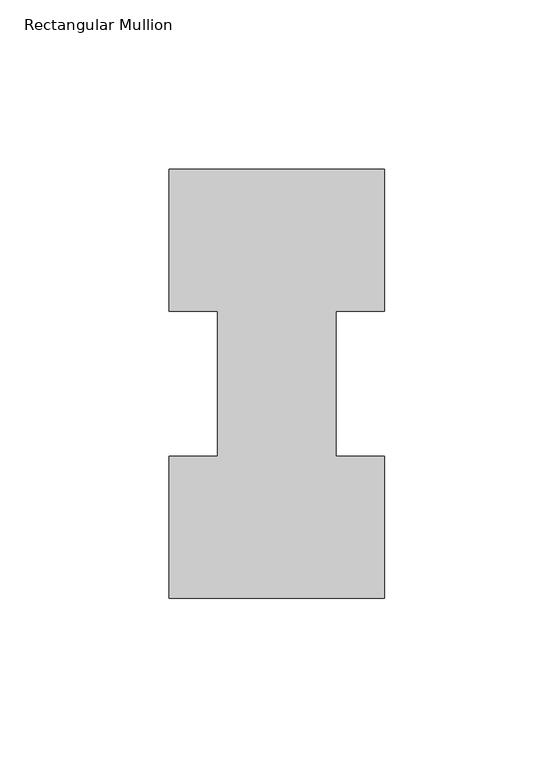
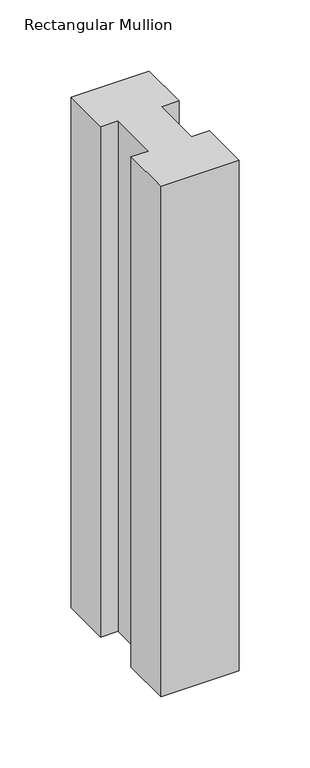
"""IFC4 building model written with IfcOpenShell, lengths in millimetres: member geometry, Rectangular Mullion."""

import ifcopenshell
import ifcopenshell.guid

model = None  # the IFC model being written
_history = None  # IfcOwnerHistory: only IFC2X3 demands one
_inside = {}  # id of a spatial element -> (the spatial element, [elements in it])
_under = {}  # id of a project, library or spatial element -> (it, [spatial elements below it])
_declared = {}  # id of a project -> (the project, [libraries it declares])
_typed = {}  # id of a type object -> (the type object, [elements of that type])
_made_of = {}  # id of a material, layer set ... -> (it, [elements and type objects made of it])


def new_model(schema):
    """Start an empty IFC model of exactly this schema.

    Asked for "IFC4X3", IfcOpenShell would pick the latest addendum, in which some entities
    have other attributes; the version numbers below select the first issue.
    IFC2X3 requires an IfcOwnerHistory on every rooted entity: one is made here for all.
    """
    global model, _history
    if schema == "IFC4X3":
        model = ifcopenshell.file(schema_version=(4, 3, 0, 0))
    else:
        model = ifcopenshell.file(schema=schema)
    _inside.clear()
    _under.clear()
    _declared.clear()
    _typed.clear()
    _made_of.clear()
    _history = None
    if model.schema == "IFC2X3":
        org = make("IfcOrganization", Name="unknown")
        user = make(
            "IfcPersonAndOrganization",
            ThePerson=make("IfcPerson", FamilyName="unknown"),
            TheOrganization=org,
        )
        app = make(
            "IfcApplication",
            ApplicationDeveloper=org,
            Version="unknown",
            ApplicationFullName="unknown",
            ApplicationIdentifier="unknown",
        )
        _history = make(
            "IfcOwnerHistory",
            OwningUser=user,
            OwningApplication=app,
            ChangeAction="ADDED",
            CreationDate=0,
        )
    return model


def make(cls, **values):
    """One entity of the class cls with the attributes given. An attribute that is None is left unset."""
    return model.create_entity(
        cls, **{name: value for name, value in values.items() if value is not None}
    )


def rooted(cls, **values):
    """An entity with a GlobalId (a new one), such as an element, a storey or a relation."""
    return make(cls, GlobalId=ifcopenshell.guid.new(), OwnerHistory=_history, **values)


def si_unit(unit_type, name, prefix=None):
    """IfcSIUnit, for example si_unit("LENGTHUNIT", "METRE", prefix="MILLI")."""
    return make("IfcSIUnit", UnitType=unit_type, Prefix=prefix, Name=name)


def assignment(units):
    """IfcUnitAssignment: the units of a project."""
    return None if units is None else make("IfcUnitAssignment", Units=units)


def point(xyz):
    """IfcCartesianPoint."""
    return None if xyz is None else make("IfcCartesianPoint", Coordinates=xyz)


def direction(xyz):
    """IfcDirection."""
    return None if xyz is None else make("IfcDirection", DirectionRatios=xyz)


def frame(location, z_axis=None, x_axis=None):
    """IfcAxis2Placement3D, a coordinate frame: its origin and axes. An axis left out is left unset."""
    return make(
        "IfcAxis2Placement3D",
        Location=point(location),
        Axis=direction(z_axis),
        RefDirection=direction(x_axis),
    )


def origin():
    """The frame at (0, 0, 0) with its axes left unset."""
    return frame((0.0, 0.0, 0.0))


def place(relative_to, where):
    """IfcLocalPlacement: puts the frame where relative to a parent placement (None: the world)."""
    return make(
        "IfcLocalPlacement", PlacementRelTo=relative_to, RelativePlacement=where
    )


def context(
    kind, dimensions, precision=None, world=None, true_north=None, identifier=None
):
    """IfcGeometricRepresentationContext, for example the 3D "Model" context."""
    return make(
        "IfcGeometricRepresentationContext",
        ContextIdentifier=identifier,
        ContextType=kind,
        CoordinateSpaceDimension=dimensions,
        Precision=precision,
        WorldCoordinateSystem=world,
        TrueNorth=true_north,
    )


def project(units=None, contexts=None):
    """IfcProject with its units and contexts."""
    return rooted(
        "IfcProject",
        Name="project",
        RepresentationContexts=contexts,
        UnitsInContext=assignment(units),
    )


def spatial(cls, under=None, at=None, **own):
    """A site, building, storey or space (cls), placed at a placement, below another one or the project."""
    s = rooted(cls, ObjectPlacement=at, **own)
    if under is not None:
        _under.setdefault(under.id(), (under, []))[1].append(s)
    return s


def polyline(points):
    """IfcPolyline through the points."""
    return make("IfcPolyline", Points=[point(p) for p in points])


def outline(outer, holes=None, kind="AREA"):
    """IfcArbitraryClosedProfileDef: a profile drawn as a closed curve; with holes, ...WithVoids."""
    if holes is None:
        return make("IfcArbitraryClosedProfileDef", ProfileType=kind, OuterCurve=outer)
    return make(
        "IfcArbitraryProfileDefWithVoids",
        ProfileType=kind,
        OuterCurve=outer,
        InnerCurves=holes,
    )


def extrude(swept, where, along, depth):
    """IfcExtrudedAreaSolid: the profile swept, set in the frame where, extruded along a direction by depth."""
    return make(
        "IfcExtrudedAreaSolid",
        SweptArea=swept,
        Position=where,
        ExtrudedDirection=direction(along),
        Depth=depth,
    )


def shape(context_of_items, identifier, shape_type, items):
    """IfcShapeRepresentation: the items that make up one representation, for example the "Body"."""
    return make(
        "IfcShapeRepresentation",
        ContextOfItems=context_of_items,
        RepresentationIdentifier=identifier,
        RepresentationType=shape_type,
        Items=items,
    )


def source(mapping_origin, context_of_items, identifier, shape_type, items):
    """IfcRepresentationMap: a shape defined once, which mapped items show again and again."""
    return make(
        "IfcRepresentationMap",
        MappingOrigin=mapping_origin,
        MappedRepresentation=shape(context_of_items, identifier, shape_type, items),
    )


def transform(
    local_origin,
    x_axis=None,
    y_axis=None,
    z_axis=None,
    scale=None,
    scale2=None,
    scale3=None,
    uniform=True,
):
    """IfcCartesianTransformationOperator3D, or its non-uniform kind. x_axis, y_axis, z_axis: its Axis1, 2, 3."""
    if uniform:
        return make(
            "IfcCartesianTransformationOperator3D",
            Axis1=direction(x_axis),
            Axis2=direction(y_axis),
            LocalOrigin=point(local_origin),
            Scale=scale,
            Axis3=direction(z_axis),
        )
    return make(
        "IfcCartesianTransformationOperator3DnonUniform",
        Axis1=direction(x_axis),
        Axis2=direction(y_axis),
        LocalOrigin=point(local_origin),
        Scale=scale,
        Axis3=direction(z_axis),
        Scale2=scale2,
        Scale3=scale3,
    )


def mapped(mapping_source, mapping_target):
    """IfcMappedItem: shows the shape of a source again, moved by a transform."""
    return make(
        "IfcMappedItem", MappingSource=mapping_source, MappingTarget=mapping_target
    )


def made_of(thing, what):
    """Note that an element or type object is made of a material, layer set ...; save() writes the relation."""
    if what is not None:
        _made_of.setdefault(what.id(), (what, []))[1].append(thing)
    return thing


def element(
    cls,
    number,
    at=None,
    inside=None,
    cuts=None,
    type_object=None,
    material=None,
    context=None,
    identifier="Body",
    shape_type=None,
    held_by="IfcProductDefinitionShape",
    body=None,
    shapes=None,
    **own,
):
    """One element of the class cls, such as IfcWall. Its Tag is "e" and its number.

    at: its placement. inside: the storey or other place that contains it. cuts: it is an
    opening in that element (IfcRelVoidsElement). A single representation is given by context,
    identifier, shape_type and body (its items); several are given by shapes. held_by: the class
    of the entity that holds the representations. save() writes the other relations.
    """
    e = rooted(cls, Tag="e%d" % number, ObjectPlacement=at, **own)
    if body is not None:
        shapes = [shape(context, identifier, shape_type, body)]
    if shapes is not None:
        e.Representation = make(held_by, Representations=shapes)
    if inside is not None:
        _inside.setdefault(inside.id(), (inside, []))[1].append(e)
    if cuts is not None:
        rooted(
            "IfcRelVoidsElement", RelatingBuildingElement=cuts, RelatedOpeningElement=e
        )
    if type_object is not None:
        _typed.setdefault(type_object.id(), (type_object, []))[1].append(e)
    return made_of(e, material)


def aggregate(whole, parts):
    """IfcRelAggregates: a whole, such as a stair, and the parts it consists of."""
    return rooted("IfcRelAggregates", RelatingObject=whole, RelatedObjects=parts)


def save(model, path):
    """Write the relations noted so far, then the file.

    IfcRelAggregates (storeys below a building ...), IfcRelContainedInSpatialStructure (elements
    in a storey), IfcRelDefinesByType, IfcRelAssociatesMaterial and IfcRelDeclares: one each for
    every whole, place, type object, material and project.
    """
    for whole, parts in _under.values():
        aggregate(whole, parts)
    for where, things in _inside.values():
        rooted(
            "IfcRelContainedInSpatialStructure",
            RelatedElements=things,
            RelatingStructure=where,
        )
    for kind, things in _typed.values():
        rooted("IfcRelDefinesByType", RelatedObjects=things, RelatingType=kind)
    for what, things in _made_of.values():
        rooted("IfcRelAssociatesMaterial", RelatedObjects=things, RelatingMaterial=what)
    for by, libraries in _declared.values():
        rooted("IfcRelDeclares", RelatingContext=by, RelatedDefinitions=libraries)
    model.write(path)


def rectangular_mullion_6ce761bf(model_context):
    return source(origin(), model_context, "Body", "SweptSolid", [
        extrude(outline(polyline([(-63.5, 0.2967757), (-63.5, 42.1178757), (-49.2125, 42.1178757), (-49.2125, 84.93125), (-63.5, 84.93125), (-63.5, 126.7887757), (0.0, 126.7887757), (0.0, 84.93125), (-14.2748, 84.93125), (-14.2748, 42.1178757), (0.0, 42.1178757), (0.0, 0.2967757), (-63.5, 0.2967757)])), frame((0.0, 0.0, -438.15), z_axis=(0.0, 0.0, 1.0), x_axis=(1.0, 0.0, 0.0)), (0.0, 0.0, 1.0), 438.15),
    ])


if __name__ == "__main__":
    model = new_model("IFC4")
    model_context = context("Model", 3, world=origin())
    ifc_project = project(units=[si_unit("LENGTHUNIT", "METRE", prefix="MILLI")], contexts=[model_context])
    site = spatial("IfcSite", under=ifc_project)
    building = spatial("IfcBuilding", under=site)
    placement = place(None, origin())
    rectangular_mullion_shape = rectangular_mullion_6ce761bf(model_context)
    element("IfcMember", 1, ObjectType="Rectangular Mullion", at=placement, inside=building, context=model_context, shape_type="MappedRepresentation", body=[
        mapped(rectangular_mullion_shape, transform((0.0, 0.0, 0.0), x_axis=(1.0, 0.0, 0.0), y_axis=(0.0, 1.0, 0.0), z_axis=(0.0, 0.0, 1.0))),
    ])
    save(model, "model.ifc")
